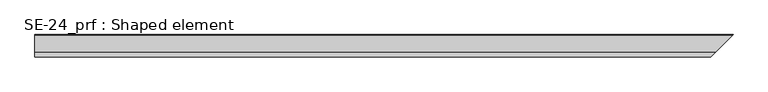
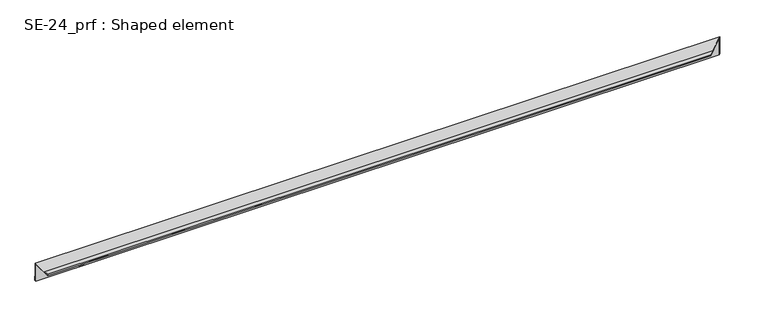
"""IFC4 building model written with IfcOpenShell, lengths in millimetres: proxy geometry, SE-24_prf : Shaped element."""

from ifc_helpers import new_model, si_unit, origin, place, context, project, spatial, faceted_brep, source, transform, mapped, element, save


def se_24_prf_shaped_element_4a5074d9(model_context):
    return source(origin(), model_context, "Body", "Brep", [
        faceted_brep([(0.0, -2.0, -45.0), (1508.0, -2.0, -45.0), (1505.0, -5.0, -45.0), (0.0, -5.0, -45.0), (0.0, -2.0, -35.0), (1508.0, -2.0, -35.0), (0.0, -3.0, -35.0), (1507.0, -3.0, -35.0), (0.0, -3.0, -44.0), (1507.0, -3.0, -44.0), (0.0, -4.0, -44.0), (1506.0, -4.0, -44.0), (0.0, -4.0, -4.0), (1506.0, -4.0, -4.0), (0.0, -49.0, -4.0), (1461.0, -49.0, -4.0), (0.0, -49.0, -3.0), (1461.0, -49.0, -3.0), (0.0, -40.0, -3.0), (1470.0, -40.0, -3.0), (0.0, -40.0, -2.0), (1470.0, -40.0, -2.0), (0.0, -50.0, -2.0), (1460.0, -50.0, -2.0), (0.0, -50.0, -5.0), (1460.0, -50.0, -5.0), (0.0, -5.0, -5.0), (1505.0, -5.0, -5.0)], [[[0, 1, 2, 3]], [[4, 5, 1, 0]], [[6, 7, 5, 4]], [[8, 9, 7, 6]], [[10, 11, 9, 8]], [[12, 13, 11, 10]], [[14, 15, 13, 12]], [[16, 17, 15, 14]], [[18, 19, 17, 16]], [[20, 21, 19, 18]], [[22, 23, 21, 20]], [[24, 25, 23, 22]], [[26, 27, 25, 24]], [[3, 2, 27, 26]], [[3, 26, 24, 22, 20, 18, 16, 14, 12, 10, 8, 6, 4, 0]], [[1, 5, 7, 9, 11, 13, 15, 17, 19, 21, 23, 25, 27, 2]]]),
    ])


if __name__ == "__main__":
    model = new_model("IFC4")
    model_context = context("Model", 3, world=origin())
    ifc_project = project(units=[si_unit("LENGTHUNIT", "METRE", prefix="MILLI")], contexts=[model_context])
    site = spatial("IfcSite", under=ifc_project)
    building = spatial("IfcBuilding", under=site)
    placement = place(None, origin())
    se_24_prf_shaped_element_shape = se_24_prf_shaped_element_4a5074d9(model_context)
    element("IfcBuildingElementProxy", 1, Name="SE-24_prf : Shaped element", ObjectType="SE-24_prf : Shaped element", at=placement, inside=building, context=model_context, shape_type="MappedRepresentation", body=[
        mapped(se_24_prf_shaped_element_shape, transform((0.0, 0.0, 0.0), x_axis=(1.0, 0.0, 0.0), y_axis=(0.0, 1.0, 0.0), z_axis=(0.0, 0.0, 1.0))),
    ])
    save(model, "model.ifc")
